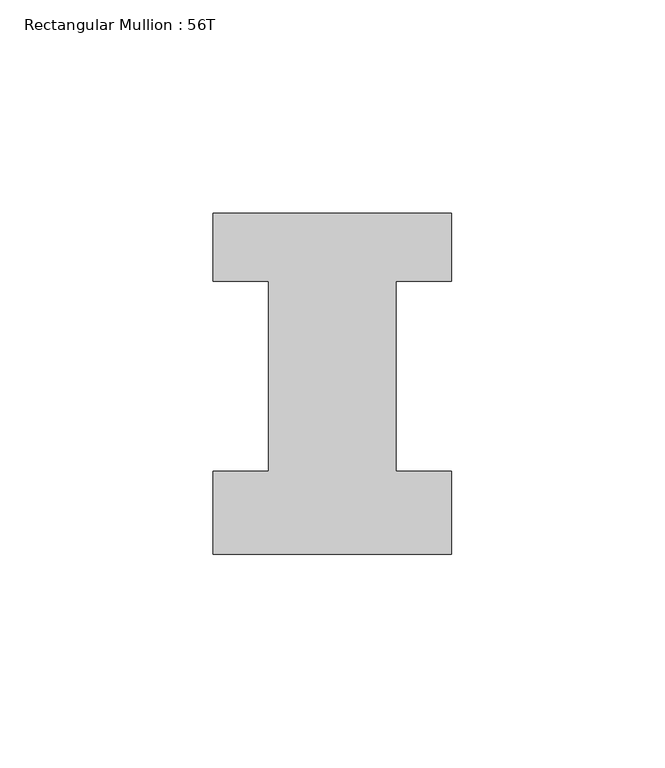
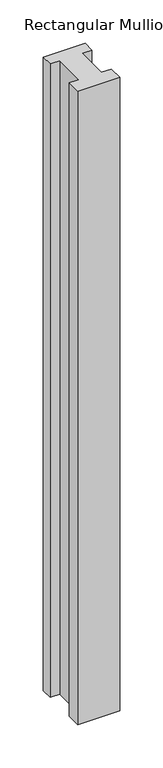
"""IFC4 building model written with IfcOpenShell, lengths in millimetres: member geometry, Rectangular Mullion : 56T."""

from ifc_helpers import new_model, si_unit, frame, origin, place, context, project, spatial, polyline, outline, extrude, source, transform, mapped, element, save


def rectangular_mullion_56t_da6f09bf(model_context):
    return source(origin(), model_context, "Body", "SweptSolid", [
        extrude(outline(polyline([(28.0, -20.0), (-28.0, -20.0), (-28.0, -0.5), (-15.0, -0.5), (-15.0, 44.0), (-28.0, 44.0), (-28.0, 60.0), (28.0, 60.0), (28.0, 44.0), (15.0, 44.0), (15.0, -0.5), (28.0, -0.5), (28.0, -20.0)])), frame((0.0, 0.0, -896.0), z_axis=(0.0, 0.0, 1.0), x_axis=(1.0, 0.0, 0.0)), (0.0, 0.0, 1.0), 896.0),
    ])


if __name__ == "__main__":
    model = new_model("IFC4")
    model_context = context("Model", 3, world=origin())
    ifc_project = project(units=[si_unit("LENGTHUNIT", "METRE", prefix="MILLI")], contexts=[model_context])
    site = spatial("IfcSite", under=ifc_project)
    building = spatial("IfcBuilding", under=site)
    placement = place(None, origin())
    rectangular_mullion_56t_shape = rectangular_mullion_56t_da6f09bf(model_context)
    element("IfcMember", 1, ObjectType="Rectangular Mullion : 56T", at=placement, inside=building, context=model_context, shape_type="MappedRepresentation", body=[
        mapped(rectangular_mullion_56t_shape, transform((0.0, 0.0, 0.0), x_axis=(1.0, 0.0, 0.0), y_axis=(0.0, 1.0, 0.0), z_axis=(0.0, 0.0, 1.0))),
    ])
    save(model, "model.ifc")
